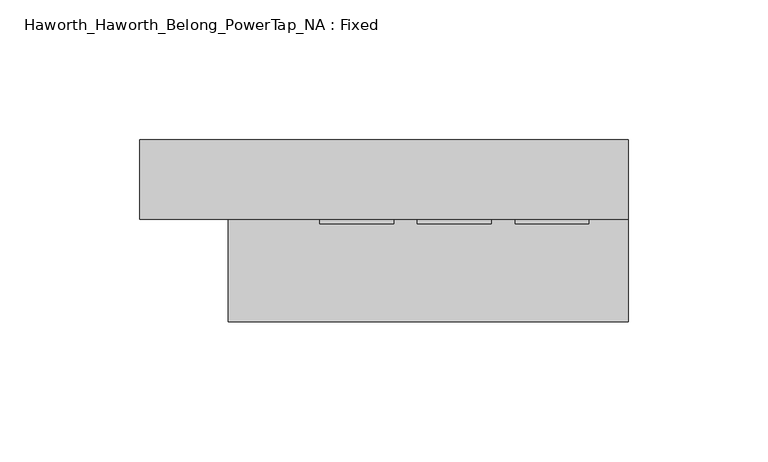
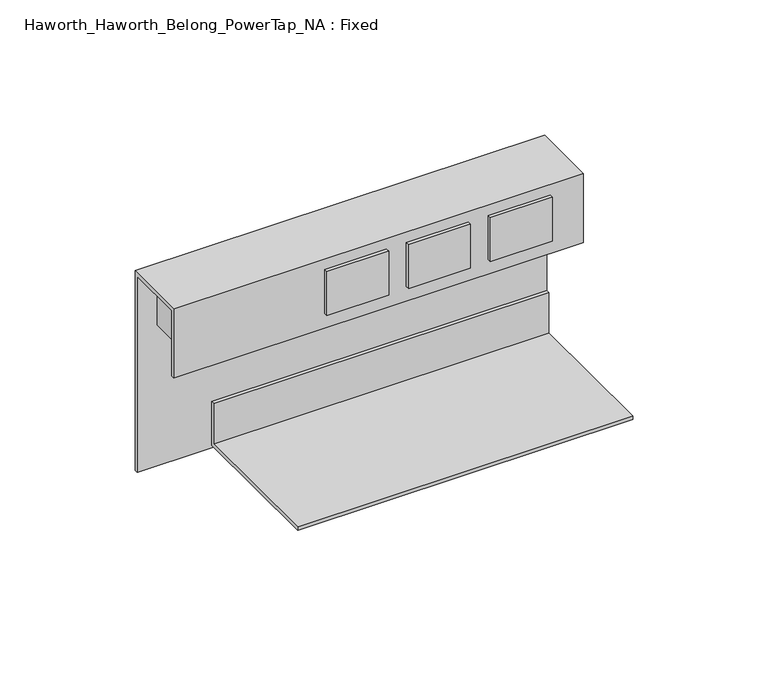
"""IFC4 building model written with IfcOpenShell, lengths in millimetres: furniture geometry, Haworth_Haworth_Belong_PowerTap_NA : Fixed."""

from ifc_helpers import new_model, si_unit, frame, origin, place, context, project, spatial, polyline, outline, extrude, source, transform, mapped, element, save


def haworth_haworth_belong_powertap_na_fixed_b048abb5(model_context):
    return source(origin(), model_context, "Body", "SweptSolid", [
        extrude(outline(polyline([(243.2966011, -4.0266021), (243.2966011, -25.4), (84.8272049, -25.4), (84.8272049, -4.0266021), (243.2966011, -4.0266021)])), frame((0.0, 0.0, 789.78125), z_axis=(0.0, 0.0, 1.0), x_axis=(1.0, 0.0, 0.0)), (0.0, 0.0, 1.0), 19.84375),
        extrude(outline(polyline([(168.5163029, -30.026522), (142.1003032, -30.026522), (142.1003032, -28.4734), (168.5163029, -28.4734), (168.5163029, -30.026522)])), frame((0.0, 0.0, 789.78125), z_axis=(0.0, 0.0, 1.0), x_axis=(1.0, 0.0, 0.0)), (0.0, 0.0, 1.0), 19.84375),
        extrude(outline(polyline([(203.4413037, -30.026522), (177.0253028, -30.026522), (177.0253028, -28.4734), (203.4413037, -28.4734), (203.4413037, -30.026522)])), frame((0.0, 0.0, 789.78125), z_axis=(0.0, 0.0, 1.0), x_axis=(1.0, 0.0, 0.0)), (0.0, 0.0, 1.0), 19.84375),
        extrude(outline(polyline([(238.3663022, -30.026522), (211.9503047, -30.026522), (211.9503047, -28.4734), (238.3663022, -28.4734), (238.3663022, -30.026522)])), frame((0.0, 0.0, 789.78125), z_axis=(0.0, 0.0, 1.0), x_axis=(1.0, 0.0, 0.0)), (0.0, 0.0, 1.0), 19.84375),
        extrude(outline(polyline([(-1.5875, 725.4875), (-65.0875, 725.4875), (-65.0875, 727.075), (-3.175, 727.075), (-3.175, 745.33125), (-1.5875, 745.33125), (-1.5875, 725.4875)])), frame((109.4104971, 0.0, 0.0), z_axis=(1.0, 0.0, 0.0), x_axis=(0.0, 1.0, 0.0)), (0.0, 0.0, 1.0), 143.0020029),
        extrude(outline(polyline([(-28.4734, 814.3875), (0.0, 814.3875), (0.0, 724.3165602), (-1.5875, 724.3165602), (-1.5875, 812.8), (-26.8859, 812.8), (-26.8859, 783.2445608), (-28.4734, 783.2445608), (-28.4734, 814.3875)])), frame((77.7875, 0.0, 0.0), z_axis=(1.0, 0.0, 0.0), x_axis=(0.0, 1.0, 0.0)), (0.0, 0.0, 1.0), 174.625),
    ])


if __name__ == "__main__":
    model = new_model("IFC4")
    model_context = context("Model", 3, world=origin())
    ifc_project = project(units=[si_unit("LENGTHUNIT", "METRE", prefix="MILLI")], contexts=[model_context])
    site = spatial("IfcSite", under=ifc_project)
    building = spatial("IfcBuilding", under=site)
    placement = place(None, origin())
    haworth_haworth_belong_powertap_na_fixed_shape = haworth_haworth_belong_powertap_na_fixed_b048abb5(model_context)
    element("IfcFurniture", 1, ObjectType="Haworth_Haworth_Belong_PowerTap_NA : Fixed", at=placement, inside=building, context=model_context, shape_type="MappedRepresentation", body=[
        mapped(haworth_haworth_belong_powertap_na_fixed_shape, transform((0.0, 0.0, 0.0), x_axis=(1.0, 0.0, 0.0), y_axis=(0.0, 1.0, 0.0), z_axis=(0.0, 0.0, 1.0))),
    ])
    save(model, "model.ifc")
